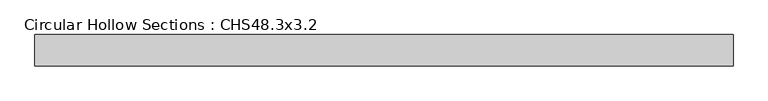
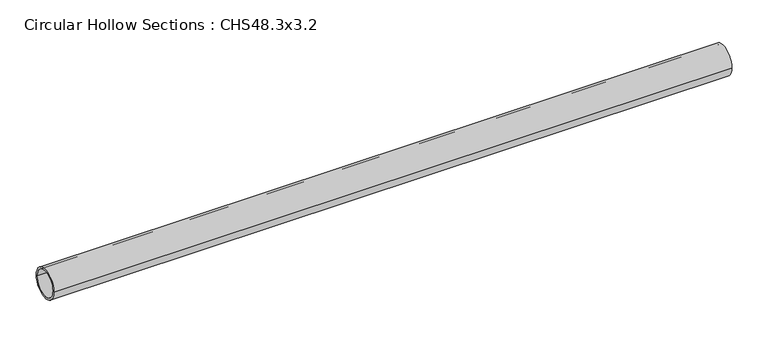
"""IFC4 building model written with IfcOpenShell, lengths in millimetres: member geometry, Circular Hollow Sections : CHS48.3x3.2."""

import ifcopenshell
import ifcopenshell.guid

model = None  # the IFC model being written
_history = None  # IfcOwnerHistory: only IFC2X3 demands one
_inside = {}  # id of a spatial element -> (the spatial element, [elements in it])
_under = {}  # id of a project, library or spatial element -> (it, [spatial elements below it])
_declared = {}  # id of a project -> (the project, [libraries it declares])
_typed = {}  # id of a type object -> (the type object, [elements of that type])
_made_of = {}  # id of a material, layer set ... -> (it, [elements and type objects made of it])


def new_model(schema):
    """Start an empty IFC model of exactly this schema.

    Asked for "IFC4X3", IfcOpenShell would pick the latest addendum, in which some entities
    have other attributes; the version numbers below select the first issue.
    IFC2X3 requires an IfcOwnerHistory on every rooted entity: one is made here for all.
    """
    global model, _history
    if schema == "IFC4X3":
        model = ifcopenshell.file(schema_version=(4, 3, 0, 0))
    else:
        model = ifcopenshell.file(schema=schema)
    _inside.clear()
    _under.clear()
    _declared.clear()
    _typed.clear()
    _made_of.clear()
    _history = None
    if model.schema == "IFC2X3":
        org = make("IfcOrganization", Name="unknown")
        user = make(
            "IfcPersonAndOrganization",
            ThePerson=make("IfcPerson", FamilyName="unknown"),
            TheOrganization=org,
        )
        app = make(
            "IfcApplication",
            ApplicationDeveloper=org,
            Version="unknown",
            ApplicationFullName="unknown",
            ApplicationIdentifier="unknown",
        )
        _history = make(
            "IfcOwnerHistory",
            OwningUser=user,
            OwningApplication=app,
            ChangeAction="ADDED",
            CreationDate=0,
        )
    return model


def make(cls, **values):
    """One entity of the class cls with the attributes given. An attribute that is None is left unset."""
    return model.create_entity(
        cls, **{name: value for name, value in values.items() if value is not None}
    )


def rooted(cls, **values):
    """An entity with a GlobalId (a new one), such as an element, a storey or a relation."""
    return make(cls, GlobalId=ifcopenshell.guid.new(), OwnerHistory=_history, **values)


def si_unit(unit_type, name, prefix=None):
    """IfcSIUnit, for example si_unit("LENGTHUNIT", "METRE", prefix="MILLI")."""
    return make("IfcSIUnit", UnitType=unit_type, Prefix=prefix, Name=name)


def assignment(units):
    """IfcUnitAssignment: the units of a project."""
    return None if units is None else make("IfcUnitAssignment", Units=units)


def point(xyz):
    """IfcCartesianPoint."""
    return None if xyz is None else make("IfcCartesianPoint", Coordinates=xyz)


def direction(xyz):
    """IfcDirection."""
    return None if xyz is None else make("IfcDirection", DirectionRatios=xyz)


def frame(location, z_axis=None, x_axis=None):
    """IfcAxis2Placement3D, a coordinate frame: its origin and axes. An axis left out is left unset."""
    return make(
        "IfcAxis2Placement3D",
        Location=point(location),
        Axis=direction(z_axis),
        RefDirection=direction(x_axis),
    )


def frame_2d(location, x_axis=None):
    """IfcAxis2Placement2D, a coordinate frame in the plane: its origin and x axis."""
    return make(
        "IfcAxis2Placement2D", Location=point(location), RefDirection=direction(x_axis)
    )


def origin():
    """The frame at (0, 0, 0) with its axes left unset."""
    return frame((0.0, 0.0, 0.0))


def origin_2d():
    """The frame at (0, 0) in the plane with its x axis left unset."""
    return frame_2d((0.0, 0.0))


def place(relative_to, where):
    """IfcLocalPlacement: puts the frame where relative to a parent placement (None: the world)."""
    return make(
        "IfcLocalPlacement", PlacementRelTo=relative_to, RelativePlacement=where
    )


def context(
    kind, dimensions, precision=None, world=None, true_north=None, identifier=None
):
    """IfcGeometricRepresentationContext, for example the 3D "Model" context."""
    return make(
        "IfcGeometricRepresentationContext",
        ContextIdentifier=identifier,
        ContextType=kind,
        CoordinateSpaceDimension=dimensions,
        Precision=precision,
        WorldCoordinateSystem=world,
        TrueNorth=true_north,
    )


def project(units=None, contexts=None):
    """IfcProject with its units and contexts."""
    return rooted(
        "IfcProject",
        Name="project",
        RepresentationContexts=contexts,
        UnitsInContext=assignment(units),
    )


def spatial(cls, under=None, at=None, **own):
    """A site, building, storey or space (cls), placed at a placement, below another one or the project."""
    s = rooted(cls, ObjectPlacement=at, **own)
    if under is not None:
        _under.setdefault(under.id(), (under, []))[1].append(s)
    return s


def circle_curve(where, radius):
    """IfcCircle in the frame where."""
    return make("IfcCircle", Position=where, Radius=radius)


def trimmed(basis, trim1, trim2, sense, master):
    """IfcTrimmedCurve: the piece of a basis curve between two trims."""
    return make(
        "IfcTrimmedCurve",
        BasisCurve=basis,
        Trim1=trim1,
        Trim2=trim2,
        SenseAgreement=sense,
        MasterRepresentation=master,
    )


def segment(curve, same_sense, transition):
    """IfcCompositeCurveSegment."""
    return make(
        "IfcCompositeCurveSegment",
        Transition=transition,
        SameSense=same_sense,
        ParentCurve=curve,
    )


def composite_curve(segments, self_intersect=None):
    """IfcCompositeCurve: segments joined end to end."""
    return make("IfcCompositeCurve", Segments=segments, SelfIntersect=self_intersect)


def outline(outer, holes=None, kind="AREA"):
    """IfcArbitraryClosedProfileDef: a profile drawn as a closed curve; with holes, ...WithVoids."""
    if holes is None:
        return make("IfcArbitraryClosedProfileDef", ProfileType=kind, OuterCurve=outer)
    return make(
        "IfcArbitraryProfileDefWithVoids",
        ProfileType=kind,
        OuterCurve=outer,
        InnerCurves=holes,
    )


def extrude(swept, where, along, depth):
    """IfcExtrudedAreaSolid: the profile swept, set in the frame where, extruded along a direction by depth."""
    return make(
        "IfcExtrudedAreaSolid",
        SweptArea=swept,
        Position=where,
        ExtrudedDirection=direction(along),
        Depth=depth,
    )


def shape(context_of_items, identifier, shape_type, items):
    """IfcShapeRepresentation: the items that make up one representation, for example the "Body"."""
    return make(
        "IfcShapeRepresentation",
        ContextOfItems=context_of_items,
        RepresentationIdentifier=identifier,
        RepresentationType=shape_type,
        Items=items,
    )


def source(mapping_origin, context_of_items, identifier, shape_type, items):
    """IfcRepresentationMap: a shape defined once, which mapped items show again and again."""
    return make(
        "IfcRepresentationMap",
        MappingOrigin=mapping_origin,
        MappedRepresentation=shape(context_of_items, identifier, shape_type, items),
    )


def transform(
    local_origin,
    x_axis=None,
    y_axis=None,
    z_axis=None,
    scale=None,
    scale2=None,
    scale3=None,
    uniform=True,
):
    """IfcCartesianTransformationOperator3D, or its non-uniform kind. x_axis, y_axis, z_axis: its Axis1, 2, 3."""
    if uniform:
        return make(
            "IfcCartesianTransformationOperator3D",
            Axis1=direction(x_axis),
            Axis2=direction(y_axis),
            LocalOrigin=point(local_origin),
            Scale=scale,
            Axis3=direction(z_axis),
        )
    return make(
        "IfcCartesianTransformationOperator3DnonUniform",
        Axis1=direction(x_axis),
        Axis2=direction(y_axis),
        LocalOrigin=point(local_origin),
        Scale=scale,
        Axis3=direction(z_axis),
        Scale2=scale2,
        Scale3=scale3,
    )


def mapped(mapping_source, mapping_target):
    """IfcMappedItem: shows the shape of a source again, moved by a transform."""
    return make(
        "IfcMappedItem", MappingSource=mapping_source, MappingTarget=mapping_target
    )


def made_of(thing, what):
    """Note that an element or type object is made of a material, layer set ...; save() writes the relation."""
    if what is not None:
        _made_of.setdefault(what.id(), (what, []))[1].append(thing)
    return thing


def element(
    cls,
    number,
    at=None,
    inside=None,
    cuts=None,
    type_object=None,
    material=None,
    context=None,
    identifier="Body",
    shape_type=None,
    held_by="IfcProductDefinitionShape",
    body=None,
    shapes=None,
    **own,
):
    """One element of the class cls, such as IfcWall. Its Tag is "e" and its number.

    at: its placement. inside: the storey or other place that contains it. cuts: it is an
    opening in that element (IfcRelVoidsElement). A single representation is given by context,
    identifier, shape_type and body (its items); several are given by shapes. held_by: the class
    of the entity that holds the representations. save() writes the other relations.
    """
    e = rooted(cls, Tag="e%d" % number, ObjectPlacement=at, **own)
    if body is not None:
        shapes = [shape(context, identifier, shape_type, body)]
    if shapes is not None:
        e.Representation = make(held_by, Representations=shapes)
    if inside is not None:
        _inside.setdefault(inside.id(), (inside, []))[1].append(e)
    if cuts is not None:
        rooted(
            "IfcRelVoidsElement", RelatingBuildingElement=cuts, RelatedOpeningElement=e
        )
    if type_object is not None:
        _typed.setdefault(type_object.id(), (type_object, []))[1].append(e)
    return made_of(e, material)


def aggregate(whole, parts):
    """IfcRelAggregates: a whole, such as a stair, and the parts it consists of."""
    return rooted("IfcRelAggregates", RelatingObject=whole, RelatedObjects=parts)


def save(model, path):
    """Write the relations noted so far, then the file.

    IfcRelAggregates (storeys below a building ...), IfcRelContainedInSpatialStructure (elements
    in a storey), IfcRelDefinesByType, IfcRelAssociatesMaterial and IfcRelDeclares: one each for
    every whole, place, type object, material and project.
    """
    for whole, parts in _under.values():
        aggregate(whole, parts)
    for where, things in _inside.values():
        rooted(
            "IfcRelContainedInSpatialStructure",
            RelatedElements=things,
            RelatingStructure=where,
        )
    for kind, things in _typed.values():
        rooted("IfcRelDefinesByType", RelatedObjects=things, RelatingType=kind)
    for what, things in _made_of.values():
        rooted("IfcRelAssociatesMaterial", RelatedObjects=things, RelatingMaterial=what)
    for by, libraries in _declared.values():
        rooted("IfcRelDeclares", RelatingContext=by, RelatedDefinitions=libraries)
    model.write(path)


def circular_hollow_sections_chs48_3x3_2_ad7a8f82(model_context):
    return source(origin(), model_context, "Body", "SweptSolid", [
        extrude(outline(composite_curve([segment(trimmed(circle_curve(origin_2d(), 24.15), [point((-24.15, 0.0))], [point((24.15, 0.0))], False, "CARTESIAN"), True, "CONTINUOUS"), segment(trimmed(circle_curve(origin_2d(), 24.15), [point((24.15, 0.0))], [point((-24.15, 0.0))], False, "CARTESIAN"), True, "CONTINUOUS")], self_intersect=False), holes=[composite_curve([segment(trimmed(circle_curve(origin_2d(), 20.95), [point((20.95, 0.0))], [point((-20.95, 0.0))], True, "CARTESIAN"), True, "CONTINUOUS"), segment(trimmed(circle_curve(origin_2d(), 20.95), [point((-20.95, 0.0))], [point((20.95, 0.0))], True, "CARTESIAN"), True, "CONTINUOUS")], self_intersect=False)]), frame((-601.25, 0.0, 0.0), z_axis=(1.0, 0.0, 0.0), x_axis=(0.0, 1.0, 0.0)), (0.0, 0.0, 1.0), 1078.4),
    ])


if __name__ == "__main__":
    model = new_model("IFC4")
    model_context = context("Model", 3, world=origin())
    ifc_project = project(units=[si_unit("LENGTHUNIT", "METRE", prefix="MILLI")], contexts=[model_context])
    site = spatial("IfcSite", under=ifc_project)
    building = spatial("IfcBuilding", under=site)
    placement = place(None, origin())
    circular_hollow_sections_chs48_3x3_2_shape = circular_hollow_sections_chs48_3x3_2_ad7a8f82(model_context)
    element("IfcMember", 1, ObjectType="Circular Hollow Sections : CHS48.3x3.2", at=placement, inside=building, context=model_context, shape_type="MappedRepresentation", body=[
        mapped(circular_hollow_sections_chs48_3x3_2_shape, transform((0.0, 0.0, 0.0), x_axis=(1.0, 0.0, 0.0), y_axis=(0.0, 1.0, 0.0), z_axis=(0.0, 0.0, 1.0))),
    ])
    save(model, "model.ifc")
